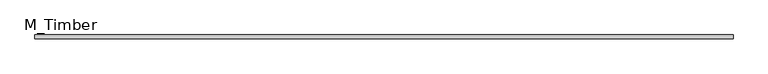
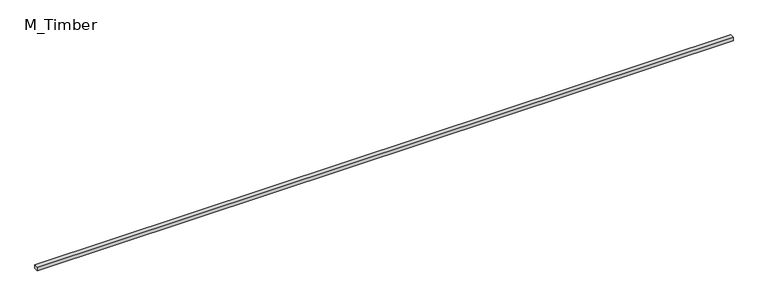
"""IFC4 building model written with IfcOpenShell, lengths in millimetres: beam geometry, M_Timber."""

from ifc_helpers import new_model, si_unit, frame, origin, place, context, project, spatial, polyline, outline, extrude, source, transform, mapped, element, save


def m_timber_a3a5f6ae(model_context):
    return source(origin(), model_context, "Body", "SweptSolid", [
        extrude(outline(polyline([(3648.4171235, 20.0), (3648.4171235, -20.0), (-3648.4171235, -20.0), (-3648.4171235, 20.0), (3648.4171235, 20.0)])), frame((0.0, 0.0, -20.0), z_axis=(0.0, 0.0, 1.0), x_axis=(1.0, 0.0, 0.0)), (0.0, 0.0, 1.0), 40.0),
    ])


if __name__ == "__main__":
    model = new_model("IFC4")
    model_context = context("Model", 3, world=origin())
    ifc_project = project(units=[si_unit("LENGTHUNIT", "METRE", prefix="MILLI")], contexts=[model_context])
    site = spatial("IfcSite", under=ifc_project)
    building = spatial("IfcBuilding", under=site)
    placement = place(None, origin())
    m_timber_shape = m_timber_a3a5f6ae(model_context)
    element("IfcBeam", 1, ObjectType="M_Timber", at=placement, inside=building, context=model_context, shape_type="MappedRepresentation", body=[
        mapped(m_timber_shape, transform((0.0, 0.0, 0.0), x_axis=(1.0, 0.0, 0.0), y_axis=(0.0, 1.0, 0.0), z_axis=(0.0, 0.0, 1.0))),
    ])
    save(model, "model.ifc")
